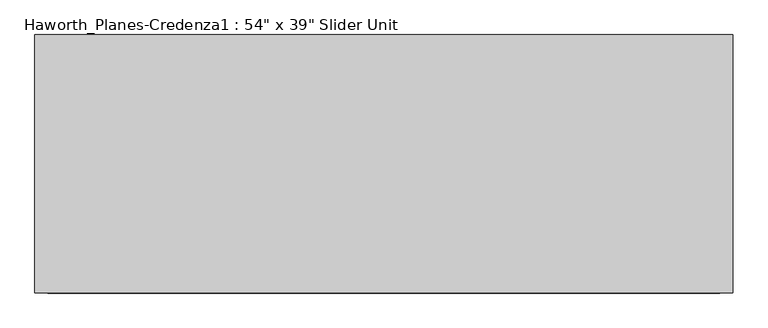
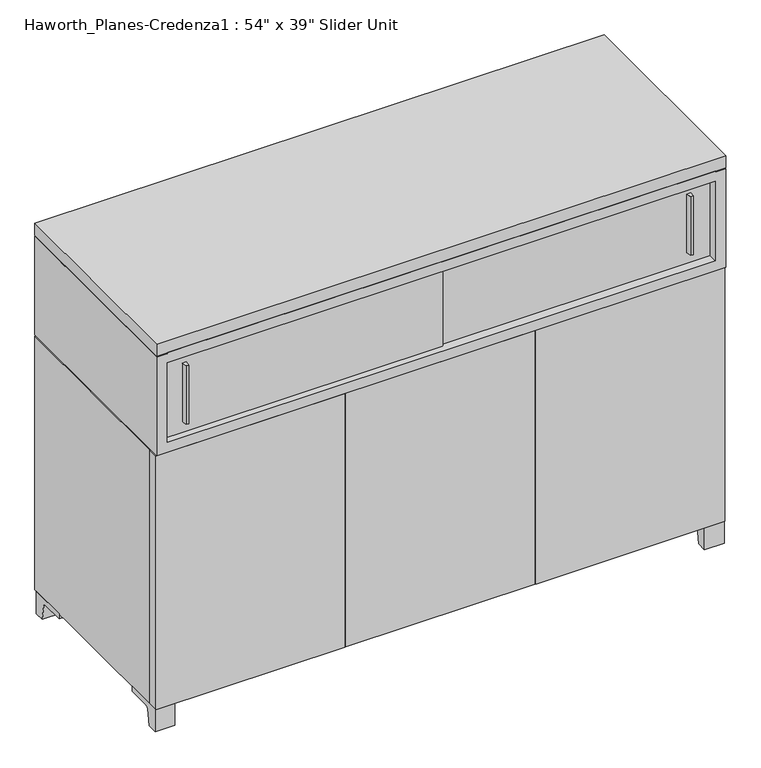
"""IFC4 building model written with IfcOpenShell, lengths in millimetres: furniture geometry."""

from ifc_helpers import new_model, si_unit, point, frame, frame_2d, origin, place, context, project, spatial, polyline, circle_curve, trimmed, segment, composite_curve, outline, extrude, faceted_brep, source, transform, mapped, element, save


def furniture_3fdb8202(model_context):
    return source(origin(), model_context, "Body", "SolidModel", [
        extrude(outline(composite_curve([segment(polyline([(-368.5593029, 0.0), (-392.900956, 0.0), (-392.900956, 57.15), (-297.650956, 57.15), (-297.650956, 44.45), (-355.7717125, 44.45)]), True, "CONTINUOUS"), segment(trimmed(circle_curve(frame_2d((-355.7717125, 38.1)), 6.35), [point((-355.7717125, 44.45))], [point((-362.0353139, 39.1439336))], True, "CARTESIAN"), True, "CONTINUOUS"), segment(polyline([(-362.0353139, 39.1439336), (-368.5593029, 0.0)]), True, "CONTINUOUS")], self_intersect=False)), frame((953.7480475, 0.0, 0.0), z_axis=(1.0, 0.0, 0.0), x_axis=(0.0, 1.0, 0.0)), (0.0, 0.0, 1.0), 47.625),
        extrude(outline(composite_curve([segment(polyline([(78.0573909, 0.0), (71.533402, 39.1439336)]), True, "CONTINUOUS"), segment(trimmed(circle_curve(frame_2d((65.2698006, 38.1)), 6.35), [point((71.533402, 39.1439336))], [point((65.2698006, 44.45))], True, "CARTESIAN"), True, "CONTINUOUS"), segment(polyline([(65.2698006, 44.45), (7.149044, 44.45), (7.149044, 57.15), (102.399044, 57.15), (102.399044, 0.0), (78.0573909, 0.0)]), True, "CONTINUOUS")], self_intersect=False)), frame((953.7480475, 0.0, 0.0), z_axis=(1.0, 0.0, 0.0), x_axis=(0.0, 1.0, 0.0)), (0.0, 0.0, 1.0), 47.625),
        extrude(outline(composite_curve([segment(polyline([(-368.5593029, 0.0), (-392.900956, 0.0), (-392.900956, 57.15), (-297.650956, 57.15), (-297.650956, 44.45), (-355.7717125, 44.45)]), True, "CONTINUOUS"), segment(trimmed(circle_curve(frame_2d((-355.7717125, 38.1)), 6.35), [point((-355.7717125, 44.45))], [point((-362.0353139, 39.1439336))], True, "CARTESIAN"), True, "CONTINUOUS"), segment(polyline([(-362.0353139, 39.1439336), (-368.5593029, 0.0)]), True, "CONTINUOUS")], self_intersect=False)), frame((-370.2269525, 0.0, 0.0), z_axis=(1.0, 0.0, 0.0), x_axis=(0.0, 1.0, 0.0)), (0.0, 0.0, 1.0), 47.625),
        extrude(outline(composite_curve([segment(polyline([(78.0573909, 0.0), (71.533402, 39.1439336)]), True, "CONTINUOUS"), segment(trimmed(circle_curve(frame_2d((65.2698006, 38.1)), 6.35), [point((71.533402, 39.1439336))], [point((65.2698006, 44.45))], True, "CARTESIAN"), True, "CONTINUOUS"), segment(polyline([(65.2698006, 44.45), (7.149044, 44.45), (7.149044, 57.15), (102.399044, 57.15), (102.399044, 0.0), (78.0573909, 0.0)]), True, "CONTINUOUS")], self_intersect=False)), frame((-370.2269525, 0.0, 0.0), z_axis=(1.0, 0.0, 0.0), x_axis=(0.0, 1.0, 0.0)), (0.0, 0.0, 1.0), 47.625),
        extrude(outline(polyline([(543.3792975, -396.075956), (87.7667975, -396.075956), (87.7667975, -370.675956), (543.3792975, -370.675956), (543.3792975, -396.075956)])), frame((0.0, 0.0, 57.15), z_axis=(0.0, 0.0, 1.0), x_axis=(1.0, 0.0, 0.0)), (0.0, 0.0, 1.0), 646.1125),
        extrude(outline(polyline([(-370.2269525, -396.075956), (-370.2269525, -370.675956), (85.3855475, -370.675956), (85.3855475, -396.075956), (-370.2269525, -396.075956)])), frame((0.0, 0.0, 57.15), z_axis=(0.0, 0.0, 1.0), x_axis=(1.0, 0.0, 0.0)), (0.0, 0.0, 1.0), 646.1125),
        extrude(outline(polyline([(1001.3730475, -396.075956), (545.7605475, -396.075956), (545.7605475, -370.675956), (1001.3730475, -370.675956), (1001.3730475, -396.075956)])), frame((0.0, 0.0, 57.15), z_axis=(0.0, 0.0, 1.0), x_axis=(1.0, 0.0, 0.0)), (0.0, 0.0, 1.0), 646.1125),
        extrude(outline(polyline([(928.3480478, -389.7259439), (921.9980471, -389.7259439), (920.4105486, -377.025956), (929.9355463, -377.025956), (928.3480478, -389.7259439)])), frame((0.0, 0.0, 758.825), z_axis=(0.0, 0.0, 1.0), x_axis=(1.0, 0.0, 0.0)), (0.0, 0.0, 1.0), 149.225),
        extrude(outline(polyline([(-290.8519522, -396.0759439), (-297.2019529, -396.0759439), (-298.7894514, -383.375956), (-289.2644537, -383.375956), (-290.8519522, -396.0759439)])), frame((0.0, 0.0, 758.825), z_axis=(0.0, 0.0, 1.0), x_axis=(1.0, 0.0, 0.0)), (0.0, 0.0, 1.0), 149.225),
        extrude(outline(polyline([(-344.8269525, -377.025956), (328.2730475, -377.025956), (328.2730475, -383.375956), (-344.8269525, -383.375956), (-344.8269525, -377.025956)])), frame((0.0, 0.0, 731.8375), z_axis=(0.0, 0.0, 1.0), x_axis=(1.0, 0.0, 0.0)), (0.0, 0.0, 1.0), 203.2),
        extrude(outline(polyline([(302.8730475, -370.675956), (975.9730475, -370.675956), (975.9730475, -377.025956), (302.8730475, -377.025956), (302.8730475, -370.675956)])), frame((0.0, 0.0, 731.8375), z_axis=(0.0, 0.0, 1.0), x_axis=(1.0, 0.0, 0.0)), (0.0, 0.0, 1.0), 203.2),
        faceted_brep([(-370.2269525, -370.675956, 703.2625), (-370.2269525, -370.675956, 57.15), (1001.3730475, -370.675956, 57.15), (1001.3730475, -370.675956, 703.2625), (975.9730475, -370.675956, 703.2625), (975.9730475, -370.675956, 706.4375), (-344.8269525, -370.675956, 706.4375), (-344.8269525, -370.675956, 703.2625), (-370.2269525, 108.749044, 703.2625), (1001.3730475, 108.749044, 703.2625), (1001.3730475, 108.749044, 57.15), (-370.2269525, 108.749044, 57.15), (-344.8269525, 83.349044, 703.2625), (975.9730475, 83.349044, 703.2625), (-344.8269525, 83.349044, 706.4375), (975.9730475, 83.349044, 706.4375)], [[[0, 1, 2, 3, 4, 5, 6, 7]], [[8, 9, 10, 11]], [[1, 0, 8, 11]], [[2, 1, 11, 10]], [[3, 2, 10, 9]], [[9, 8, 0, 7, 12, 13, 4, 3]], [[14, 15, 13, 12]], [[7, 6, 14, 12]], [[5, 4, 13, 15]], [[6, 5, 15, 14]]]),
        faceted_brep([(975.9730475, -399.250956, 960.4375), (-344.8269525, -399.250956, 960.4375), (-344.8269525, -399.250956, 957.2625), (-370.2269525, -399.250956, 957.2625), (-370.2269525, -399.250956, 706.4375), (1001.3730475, -399.250956, 706.4375), (1001.3730475, -399.250956, 957.2625), (975.9730475, -399.250956, 957.2625), (975.9730475, -399.250956, 935.0375), (975.9730475, -399.250956, 731.8375), (-344.8269525, -399.250956, 731.8375), (-344.8269525, -399.250956, 935.0375), (975.9730475, 83.349044, 960.4375), (975.9730475, 83.349044, 957.2625), (-344.8269525, 83.349044, 957.2625), (-344.8269525, 83.349044, 960.4375), (-370.2269525, 108.749044, 957.2625), (-370.2269525, 108.749044, 706.4375), (1001.3730475, 108.749044, 706.4375), (1001.3730475, 108.749044, 957.2625), (975.9730475, 83.349044, 935.0375), (975.9730475, 83.349044, 731.8375), (-344.8269525, 83.349044, 731.8375), (-344.8269525, 83.349044, 935.0375)], [[[0, 1, 2, 3, 4, 5, 6, 7], [8, 9, 10, 11]], [[12, 13, 14, 15]], [[1, 0, 12, 15]], [[4, 3, 16, 17]], [[5, 4, 17, 18]], [[6, 5, 18, 19]], [[9, 8, 20, 21]], [[10, 9, 21, 22]], [[11, 10, 22, 23]], [[8, 11, 23, 20]], [[21, 20, 23, 22]], [[19, 18, 17, 16]], [[2, 1, 15, 14]], [[16, 3, 2, 14, 13, 7, 6, 19]], [[0, 7, 13, 12]]]),
        extrude(outline(polyline([(1001.3730475, 108.749044), (1001.3730475, -399.250956), (-370.2269525, -399.250956), (-370.2269525, 108.749044), (1001.3730475, 108.749044)])), frame((0.0, 0.0, 960.4375), z_axis=(0.0, 0.0, 1.0), x_axis=(1.0, 0.0, 0.0)), (0.0, 0.0, 1.0), 30.1625),
    ])


if __name__ == "__main__":
    model = new_model("IFC4")
    model_context = context("Model", 3, world=origin())
    ifc_project = project(units=[si_unit("LENGTHUNIT", "METRE", prefix="MILLI")], contexts=[model_context])
    site = spatial("IfcSite", under=ifc_project)
    building = spatial("IfcBuilding", under=site)
    placement = place(None, origin())
    furniture_shape = furniture_3fdb8202(model_context)
    element("IfcFurniture", 1, ObjectType="Haworth_Planes-Credenza1 : 54\" x 39\" Slider Unit", at=placement, inside=building, context=model_context, shape_type="MappedRepresentation", body=[
        mapped(furniture_shape, transform((0.0, 0.0, 0.0), x_axis=(1.0, 0.0, 0.0), y_axis=(0.0, 1.0, 0.0), z_axis=(0.0, 0.0, 1.0))),
    ])
    save(model, "model.ifc")
